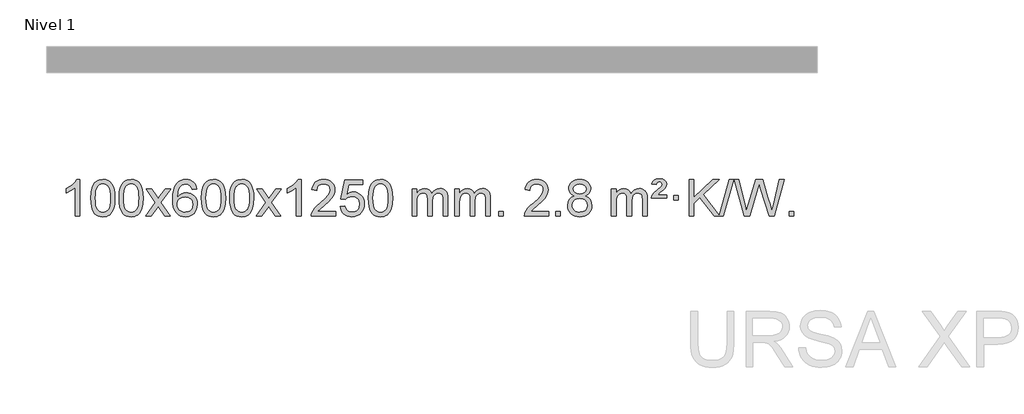
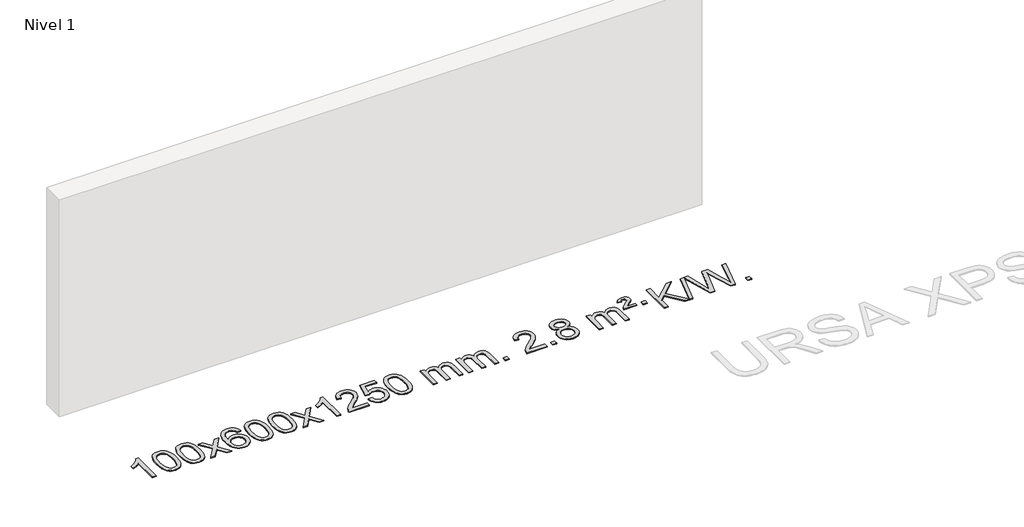
# One storey, part 2 of 4: 1 proxy.
"""IFC4 building model written with IfcOpenShell, lengths in millimetres."""

from ifc_helpers import new_model, si_unit, origin, origin_with_axes, place, context, project, spatial, polyline, outline, extrude, element, save

model = new_model("IFC4")

# Units and contexts
model_context = context("Model", 3, world=origin())
ifc_project = project(units=[si_unit("LENGTHUNIT", "METRE", prefix="MILLI")], contexts=[model_context])

# Site, building, storey
site = spatial("IfcSite", under=ifc_project)
building = spatial("IfcBuilding", under=site)
storey = spatial("IfcBuildingStorey", under=building, Name="Nivel 1", Elevation=0.0)

# Proxy
placement = place(None, origin())
element("IfcBuildingElementProxy", 1, Name="Texto de modelo 1", ObjectType="Texto de modelo 1", at=placement, inside=storey, context=model_context, shape_type="SweptSolid", body=[
    extrude(outline(polyline([(-25791.6185243, -12784.6168569), (-25841.8466794, -12784.6168569), (-25841.8466794, -12471.4757026), (-25862.8159531, -12488.4350626), (-25889.4260841, -12505.3698971), (-25942.3029895, -12530.7292293), (-25942.3029895, -12483.2479264), (-25902.8537769, -12461.7881434), (-25868.6775396, -12436.2571329), (-25841.7363148, -12409.1074417), (-25823.9921399, -12382.7916163), (-25791.6185243, -12382.7916163), (-25791.6185243, -12784.6168569)])), origin_with_axes(), (0.0, 0.0, 1.0), 10.0),
    extrude(outline(polyline([(-25672.326656, -12586.9415981), (-25668.6355733, -12522.6235626), (-25657.5623253, -12471.3285498), (-25639.2172764, -12432.2717446), (-25627.3592135, -12417.0383643), (-25613.7107915, -12404.6683323), (-25598.2260251, -12395.097269), (-25580.8589293, -12388.2607953), (-25540.4777489, -12382.7916163), (-25509.5266104, -12386.0289778), (-25481.8128334, -12395.7410625), (-25458.6362678, -12411.5477256), (-25441.296763, -12433.0688223), (-25428.200164, -12460.1204117), (-25417.7523154, -12492.5185527), (-25410.9097102, -12533.6600225), (-25408.6288419, -12586.9415981), (-25412.2831364, -12650.8917516), (-25423.2460198, -12702.0641372), (-25441.480704, -12741.1577305), (-25453.3111759, -12756.437096), (-25466.9504008, -12768.8715075), (-25482.4535613, -12778.5069501), (-25499.8758394, -12785.3894091), (-25540.4777489, -12790.8953763), (-25568.142475, -12788.5041433), (-25592.6679413, -12781.3304444), (-25614.054148, -12769.3742795), (-25632.3010949, -12752.6356488), (-25649.8122779, -12722.3773547), (-25662.3202657, -12684.6755815), (-25669.8250584, -12639.5303293), (-25672.326656, -12586.9415981)]), holes=[polyline([(-25622.0985009, -12586.8434963), (-25620.626973, -12630.5080234), (-25616.212389, -12665.8522861), (-25608.8547491, -12692.8762843), (-25598.5540532, -12711.5800181), (-25586.0951163, -12724.3056694), (-25572.2627533, -12733.3954204), (-25557.0569642, -12738.849271), (-25540.4777489, -12740.6672212), (-25523.8985337, -12738.8431396), (-25508.6927446, -12733.3708949), (-25494.8603815, -12724.2504871), (-25482.4014446, -12711.4819162), (-25472.1007488, -12692.7475256), (-25464.7431089, -12665.7296588), (-25460.3285249, -12630.4283156), (-25458.8569969, -12586.8434963), (-25460.279474, -12544.3347317), (-25464.5469051, -12509.6128027), (-25471.6592904, -12482.6777093), (-25481.6166297, -12463.5294515), (-25493.8671002, -12450.1814664), (-25507.8588787, -12440.6471914), (-25523.5919654, -12434.9266264), (-25541.0663601, -12433.0197713), (-25557.5597363, -12434.6997658), (-25572.508008, -12439.7397491), (-25585.9111753, -12448.1397213), (-25597.7692383, -12459.8996825), (-25608.4132907, -12480.7463289), (-25616.0161853, -12508.8525133), (-25620.577922, -12544.2182358), (-25622.0985009, -12586.8434963)])]), origin_with_axes(), (0.0, 0.0, 1.0), 10.0),
    extrude(outline(polyline([(-25364.6792062, -12586.9415981), (-25360.9881235, -12522.6235626), (-25349.9148754, -12471.3285498), (-25331.5698266, -12432.2717446), (-25319.7117636, -12417.0383643), (-25306.0633416, -12404.6683323), (-25290.5785753, -12395.097269), (-25273.2114794, -12388.2607953), (-25232.8302991, -12382.7916163), (-25201.8791606, -12386.0289778), (-25174.1653836, -12395.7410625), (-25150.9888179, -12411.5477256), (-25133.6493132, -12433.0688223), (-25120.5527142, -12460.1204117), (-25110.1048655, -12492.5185527), (-25103.2622604, -12533.6600225), (-25100.981392, -12586.9415981), (-25104.6356865, -12650.8917516), (-25115.59857, -12702.0641372), (-25133.8332542, -12741.1577305), (-25145.663726, -12756.437096), (-25159.302951, -12768.8715075), (-25174.8061114, -12778.5069501), (-25192.2283896, -12785.3894091), (-25232.8302991, -12790.8953763), (-25260.4950251, -12788.5041433), (-25285.0204915, -12781.3304444), (-25306.4066981, -12769.3742795), (-25324.6536451, -12752.6356488), (-25342.1648281, -12722.3773547), (-25354.6728159, -12684.6755815), (-25362.1776086, -12639.5303293), (-25364.6792062, -12586.9415981)]), holes=[polyline([(-25314.4510511, -12586.8434963), (-25312.9795231, -12630.5080234), (-25308.5649392, -12665.8522861), (-25301.2072993, -12692.8762843), (-25290.9066034, -12711.5800181), (-25278.4476665, -12724.3056694), (-25264.6153035, -12733.3954204), (-25249.4095144, -12738.849271), (-25232.8302991, -12740.6672212), (-25216.2510839, -12738.8431396), (-25201.0452947, -12733.3708949), (-25187.2129317, -12724.2504871), (-25174.7539948, -12711.4819162), (-25164.4532989, -12692.7475256), (-25157.095659, -12665.7296588), (-25152.6810751, -12630.4283156), (-25151.2095471, -12586.8434963), (-25152.6320242, -12544.3347317), (-25156.8994553, -12509.6128027), (-25164.0118405, -12482.6777093), (-25173.9691799, -12463.5294515), (-25186.2196503, -12450.1814664), (-25200.2114289, -12440.6471914), (-25215.9445155, -12434.9266264), (-25233.4189103, -12433.0197713), (-25249.9122864, -12434.6997658), (-25264.8605582, -12439.7397491), (-25278.2637255, -12448.1397213), (-25290.1217885, -12459.8996825), (-25300.7658409, -12480.7463289), (-25308.3687355, -12508.8525133), (-25312.9304722, -12544.2182358), (-25314.4510511, -12586.8434963)])]), origin_with_axes(), (0.0, 0.0, 1.0), 10.0),
    extrude(outline(polyline([(-25075.8673145, -12784.6168569), (-24968.5438738, -12636.2868364), (-25069.5887951, -12489.5264458), (-25009.158046, -12489.5264458), (-24960.4014189, -12560.1597889), (-24937.6417862, -12593.5144231), (-24917.9233112, -12566.2421045), (-24862.3976554, -12489.5264458), (-24801.9669064, -12489.5264458), (-24908.1131247, -12636.2868364), (-24805.890981, -12784.6168569), (-24866.32173, -12784.6168569), (-24927.8315996, -12695.4422612), (-24939.1133142, -12679.1573516), (-25015.4365654, -12784.6168569), (-25075.8673145, -12784.6168569)])), origin_with_axes(), (0.0, 0.0, 1.0), 10.0),
    extrude(outline(polyline([(-24517.0790893, -12489.5264458), (-24567.3072444, -12495.8049652), (-24575.4006483, -12470.9116168), (-24586.3390063, -12453.9154687), (-24609.1231645, -12438.2436957), (-24636.6652632, -12433.0197713), (-24660.0135072, -12436.0609292), (-24681.988325, -12445.1844027), (-24700.8606714, -12464.4001055), (-24716.2749269, -12490.850821), (-24726.6859874, -12528.2644199), (-24730.5487484, -12580.3687731), (-24710.4010778, -12556.8611137), (-24686.2557561, -12540.2941611), (-24659.4616842, -12530.4717119), (-24631.3677625, -12527.1975621), (-24607.2347036, -12529.4355109), (-24584.9655801, -12536.1493573), (-24564.5603921, -12547.3391013), (-24546.0191396, -12563.004743), (-24530.6110154, -12582.2143145), (-24519.6052123, -12604.0358482), (-24513.0017305, -12628.469344), (-24510.8005699, -12655.514802), (-24514.9453737, -12691.4813984), (-24527.3797852, -12724.8237699), (-24547.0737346, -12753.1016326), (-24572.9971526, -12773.8747026), (-24603.9728166, -12786.6402078), (-24638.8235042, -12790.8953763), (-24668.766033, -12788.0749476), (-24695.8084253, -12779.6136617), (-24719.9506812, -12765.5115186), (-24741.1928008, -12745.7685182), (-24758.5108457, -12719.5507947), (-24770.8808778, -12686.0244822), (-24778.302897, -12645.1895807), (-24780.7769034, -12597.0460903), (-24778.0300512, -12543.0716702), (-24769.7894945, -12497.006713), (-24756.0552334, -12458.8512188), (-24736.8272677, -12428.6051874), (-24715.9867527, -12408.56175), (-24691.823037, -12394.2450091), (-24664.3361206, -12385.6549645), (-24633.5260035, -12382.7916163), (-24610.3923574, -12384.5635812), (-24589.4537405, -12389.879476), (-24570.7101528, -12398.7393008), (-24554.1615944, -12411.1430554), (-24540.255655, -12426.6738069), (-24529.4399243, -12444.9146225), (-24521.7144024, -12465.8655021), (-24517.0790893, -12489.5264458)]), holes=[polyline([(-24730.5487484, -12654.7299871), (-24727.6424806, -12676.9868478), (-24718.9236773, -12698.2381644), (-24705.3856199, -12716.5096368), (-24688.0215897, -12729.8269651), (-24667.0645787, -12737.9571571), (-24642.7475788, -12740.6672212), (-24609.6014111, -12735.0508894), (-24595.6862746, -12728.0304746), (-24583.5431031, -12718.201894), (-24573.6930627, -12705.9636863), (-24566.6573195, -12691.7143904), (-24561.028725, -12657.1825337), (-24566.5837431, -12624.036366), (-24573.5275158, -12610.4155351), (-24583.2487975, -12598.7628729), (-24595.4287572, -12589.4278673), (-24609.7485639, -12582.7600061), (-24644.807718, -12577.4257172), (-24677.9048349, -12582.7600061), (-24705.5818236, -12598.7628729), (-24716.5048532, -12610.2622509), (-24724.3070172, -12623.4232293), (-24728.9883156, -12638.245808), (-24730.5487484, -12654.7299871)])]), origin_with_axes(), (0.0, 0.0, 1.0), 10.0),
    extrude(outline(polyline([(-24466.8509342, -12586.9415981), (-24463.1598515, -12522.6235626), (-24452.0866035, -12471.3285498), (-24433.7415547, -12432.2717446), (-24421.8834917, -12417.0383643), (-24408.2350697, -12404.6683323), (-24392.7503033, -12395.097269), (-24375.3832075, -12388.2607953), (-24335.0020271, -12382.7916163), (-24304.0508886, -12386.0289778), (-24276.3371117, -12395.7410625), (-24253.160546, -12411.5477256), (-24235.8210412, -12433.0688223), (-24222.7244422, -12460.1204117), (-24212.2765936, -12492.5185527), (-24205.4339884, -12533.6600225), (-24203.1531201, -12586.9415981), (-24206.8074146, -12650.8917516), (-24217.770298, -12702.0641372), (-24236.0049822, -12741.1577305), (-24247.8354541, -12756.437096), (-24261.474679, -12768.8715075), (-24276.9778395, -12778.5069501), (-24294.4001176, -12785.3894091), (-24335.0020271, -12790.8953763), (-24362.6667532, -12788.5041433), (-24387.1922195, -12781.3304444), (-24408.5784262, -12769.3742795), (-24426.8253731, -12752.6356488), (-24444.3365561, -12722.3773547), (-24456.844544, -12684.6755815), (-24464.3493367, -12639.5303293), (-24466.8509342, -12586.9415981)]), holes=[polyline([(-24416.6227791, -12586.8434963), (-24415.1512512, -12630.5080234), (-24410.7366672, -12665.8522861), (-24403.3790273, -12692.8762843), (-24393.0783315, -12711.5800181), (-24380.6193946, -12724.3056694), (-24366.7870315, -12733.3954204), (-24351.5812424, -12738.849271), (-24335.0020271, -12740.6672212), (-24318.4228119, -12738.8431396), (-24303.2170228, -12733.3708949), (-24289.3846597, -12724.2504871), (-24276.9257228, -12711.4819162), (-24266.625027, -12692.7475256), (-24259.2673871, -12665.7296588), (-24254.8528031, -12630.4283156), (-24253.3812752, -12586.8434963), (-24254.8037522, -12544.3347317), (-24259.0711833, -12509.6128027), (-24266.1835686, -12482.6777093), (-24276.1409079, -12463.5294515), (-24288.3913784, -12450.1814664), (-24302.3831569, -12440.6471914), (-24318.1162436, -12434.9266264), (-24335.5906383, -12433.0197713), (-24352.0840145, -12434.6997658), (-24367.0322862, -12439.7397491), (-24380.4354536, -12448.1397213), (-24392.2935165, -12459.8996825), (-24402.9375689, -12480.7463289), (-24410.5404635, -12508.8525133), (-24415.1022002, -12544.2182358), (-24416.6227791, -12586.8434963)])]), origin_with_axes(), (0.0, 0.0, 1.0), 10.0),
    extrude(outline(polyline([(-24159.2034844, -12586.9415981), (-24155.5124017, -12522.6235626), (-24144.4391536, -12471.3285498), (-24126.0941048, -12432.2717446), (-24114.2360418, -12417.0383643), (-24100.5876198, -12404.6683323), (-24085.1028535, -12395.097269), (-24067.7357577, -12388.2607953), (-24027.3545773, -12382.7916163), (-23996.4034388, -12386.0289778), (-23968.6896618, -12395.7410625), (-23945.5130961, -12411.5477256), (-23928.1735914, -12433.0688223), (-23915.0769924, -12460.1204117), (-23904.6291437, -12492.5185527), (-23897.7865386, -12533.6600225), (-23895.5056702, -12586.9415981), (-23899.1599647, -12650.8917516), (-23910.1228482, -12702.0641372), (-23928.3575324, -12741.1577305), (-23940.1880042, -12756.437096), (-23953.8272292, -12768.8715075), (-23969.3303896, -12778.5069501), (-23986.7526678, -12785.3894091), (-24027.3545773, -12790.8953763), (-24055.0193034, -12788.5041433), (-24079.5447697, -12781.3304444), (-24100.9309764, -12769.3742795), (-24119.1779233, -12752.6356488), (-24136.6891063, -12722.3773547), (-24149.1970941, -12684.6755815), (-24156.7018868, -12639.5303293), (-24159.2034844, -12586.9415981)]), holes=[polyline([(-24108.9753293, -12586.8434963), (-24107.5038013, -12630.5080234), (-24103.0892174, -12665.8522861), (-24095.7315775, -12692.8762843), (-24085.4308816, -12711.5800181), (-24072.9719447, -12724.3056694), (-24059.1395817, -12733.3954204), (-24043.9337926, -12738.849271), (-24027.3545773, -12740.6672212), (-24010.7753621, -12738.8431396), (-23995.5695729, -12733.3708949), (-23981.7372099, -12724.2504871), (-23969.278273, -12711.4819162), (-23958.9775771, -12692.7475256), (-23951.6199372, -12665.7296588), (-23947.2053533, -12630.4283156), (-23945.7338253, -12586.8434963), (-23947.1563024, -12544.3347317), (-23951.4237335, -12509.6128027), (-23958.5361188, -12482.6777093), (-23968.4934581, -12463.5294515), (-23980.7439285, -12450.1814664), (-23994.7357071, -12440.6471914), (-24010.4687937, -12434.9266264), (-24027.9431885, -12433.0197713), (-24044.4365646, -12434.6997658), (-24059.3848364, -12439.7397491), (-24072.7880037, -12448.1397213), (-24084.6460667, -12459.8996825), (-24095.2901191, -12480.7463289), (-24102.8930137, -12508.8525133), (-24107.4547504, -12544.2182358), (-24108.9753293, -12586.8434963)])]), origin_with_axes(), (0.0, 0.0, 1.0), 10.0),
    extrude(outline(polyline([(-23870.3915927, -12784.6168569), (-23763.068152, -12636.2868364), (-23864.1130733, -12489.5264458), (-23803.6823242, -12489.5264458), (-23754.9256972, -12560.1597889), (-23732.1660644, -12593.5144231), (-23712.4475894, -12566.2421045), (-23656.9219336, -12489.5264458), (-23596.4911846, -12489.5264458), (-23702.6374029, -12636.2868364), (-23600.4152592, -12784.6168569), (-23660.8460083, -12784.6168569), (-23722.3558778, -12695.4422612), (-23733.6375924, -12679.1573516), (-23809.9608436, -12784.6168569), (-23870.3915927, -12784.6168569)])), origin_with_axes(), (0.0, 0.0, 1.0), 10.0),
    extrude(outline(polyline([(-23380.6670807, -12784.6168569), (-23430.8952358, -12784.6168569), (-23430.8952358, -12471.4757026), (-23451.8645095, -12488.4350626), (-23478.4746405, -12505.3698971), (-23531.351546, -12530.7292293), (-23531.351546, -12483.2479264), (-23491.9023333, -12461.7881434), (-23457.726096, -12436.2571329), (-23430.7848712, -12409.1074417), (-23413.0406963, -12382.7916163), (-23380.6670807, -12382.7916163), (-23380.6670807, -12784.6168569)])), origin_with_axes(), (0.0, 0.0, 1.0), 10.0),
    extrude(outline(polyline([(-23003.9559177, -12734.3887018), (-23003.9559177, -12784.6168569), (-23267.6537318, -12784.6168569), (-23266.5500858, -12766.9339956), (-23262.2581292, -12749.9868984), (-23249.8727687, -12722.9230463), (-23231.7484491, -12696.6685346), (-23205.5307256, -12669.1877495), (-23168.8651534, -12638.4450775), (-23114.6638727, -12590.301587), (-23082.1431044, -12554.7641863), (-23065.8827202, -12525.9222379), (-23060.4625921, -12497.8651044), (-23065.5761519, -12472.7142386), (-23080.9168311, -12451.8062786), (-23104.4980669, -12437.7163982), (-23134.3332968, -12433.0197713), (-23165.66458, -12437.6060336), (-23190.0061054, -12451.3648202), (-23205.7146666, -12473.2170107), (-23211.1470573, -12502.0834846), (-23261.3752124, -12495.8049652), (-23257.0556647, -12469.8754159), (-23249.1983184, -12447.2200164), (-23237.8031736, -12427.8387666), (-23222.8702303, -12411.7316666), (-23204.742845, -12399.0703946), (-23183.7643742, -12390.0266288), (-23159.9348179, -12384.6003694), (-23133.2541762, -12382.7916163), (-23106.3344112, -12384.8027045), (-23082.3760963, -12390.8359692), (-23061.3792314, -12400.8914104), (-23043.3438166, -12414.9690281), (-23028.8584631, -12432.02649), (-23018.5117819, -12451.0214636), (-23012.3037733, -12471.9539492), (-23010.2344371, -12494.8239465), (-23012.4662545, -12518.8466408), (-23019.1617068, -12542.4524022), (-23031.0442952, -12566.4628337), (-23048.8375211, -12591.6995386), (-23077.2012229, -12621.829074), (-23120.7952393, -12660.5179972), (-23178.577238, -12708.8331659), (-23201.2387689, -12734.3887018), (-23003.9559177, -12734.3887018)])), origin_with_axes(), (0.0, 0.0, 1.0), 10.0),
    extrude(outline(polyline([(-22953.7277626, -12677.8820273), (-22903.4996075, -12671.603508), (-22894.2780322, -12701.7575688), (-22878.1893262, -12723.3522419), (-22855.3070661, -12736.3384764), (-22825.7048283, -12740.6672212), (-22806.5749645, -12739.1619707), (-22789.7014437, -12734.6462192), (-22775.0842657, -12727.1199667), (-22762.7234307, -12716.5832132), (-22752.8948501, -12703.5571249), (-22745.8744353, -12688.5628679), (-22740.2581035, -12652.6698479), (-22745.5188161, -12618.8737553), (-22752.0947067, -12604.9555532), (-22761.3009536, -12593.0239138), (-22773.1682137, -12583.4528505), (-22787.7271436, -12576.6163768), (-22824.9200133, -12571.1471978), (-22849.2860642, -12573.3299643), (-22869.0168018, -12579.8782638), (-22884.774414, -12589.9091796), (-22897.2210881, -12602.5397947), (-22947.4492432, -12596.2612753), (-22903.4996075, -12389.0701357), (-22708.8655066, -12389.0701357), (-22708.8655066, -12439.2982907), (-22862.8854352, -12439.2982907), (-22884.3697438, -12549.9571949), (-22866.643963, -12537.2530033), (-22848.4889865, -12528.1785808), (-22829.9048144, -12522.7339272), (-22810.8914466, -12520.9190427), (-22786.4303596, -12523.1692543), (-22763.9619667, -12529.9198889), (-22743.486268, -12541.1709466), (-22725.0032635, -12556.9224273), (-22709.7024381, -12576.2117066), (-22698.7732772, -12598.0761598), (-22692.2157806, -12622.5157871), (-22690.0299484, -12649.5305882), (-22691.9981171, -12675.552108), (-22697.9026231, -12699.7587433), (-22707.7434665, -12722.1504941), (-22721.5206472, -12742.7273604), (-22742.3918191, -12763.8008673), (-22766.7456072, -12778.8533723), (-22794.5820115, -12787.8848753), (-22825.901032, -12790.8953763), (-22851.8213842, -12788.9609301), (-22875.2340076, -12783.1575916), (-22896.1389019, -12773.4853608), (-22914.5360674, -12759.9442377), (-22929.8430241, -12743.2086726), (-22941.4772922, -12723.9531159), (-22949.4388717, -12702.1775674), (-22953.7277626, -12677.8820273)])), origin_with_axes(), (0.0, 0.0, 1.0), 10.0),
    extrude(outline(polyline([(-22646.0803128, -12586.9415981), (-22642.3892301, -12522.6235626), (-22631.315982, -12471.3285498), (-22612.9709332, -12432.2717446), (-22601.1128702, -12417.0383643), (-22587.4644482, -12404.6683323), (-22571.9796819, -12395.097269), (-22554.612586, -12388.2607953), (-22514.2314057, -12382.7916163), (-22483.2802672, -12386.0289778), (-22455.5664902, -12395.7410625), (-22432.3899245, -12411.5477256), (-22415.0504198, -12433.0688223), (-22401.9538208, -12460.1204117), (-22391.5059721, -12492.5185527), (-22384.663367, -12533.6600225), (-22382.3824986, -12586.9415981), (-22386.0367931, -12650.8917516), (-22396.9996766, -12702.0641372), (-22415.2343608, -12741.1577305), (-22427.0648326, -12756.437096), (-22440.7040576, -12768.8715075), (-22456.207218, -12778.5069501), (-22473.6294962, -12785.3894091), (-22514.2314057, -12790.8953763), (-22541.8961317, -12788.5041433), (-22566.4215981, -12781.3304444), (-22587.8078047, -12769.3742795), (-22606.0547517, -12752.6356488), (-22623.5659347, -12722.3773547), (-22636.0739225, -12684.6755815), (-22643.5787152, -12639.5303293), (-22646.0803128, -12586.9415981)]), holes=[polyline([(-22595.8521577, -12586.8434963), (-22594.3806297, -12630.5080234), (-22589.9660458, -12665.8522861), (-22582.6084059, -12692.8762843), (-22572.30771, -12711.5800181), (-22559.8487731, -12724.3056694), (-22546.0164101, -12733.3954204), (-22530.8106209, -12738.849271), (-22514.2314057, -12740.6672212), (-22497.6521904, -12738.8431396), (-22482.4464013, -12733.3708949), (-22468.6140383, -12724.2504871), (-22456.1551014, -12711.4819162), (-22445.8544055, -12692.7475256), (-22438.4967656, -12665.7296588), (-22434.0821817, -12630.4283156), (-22432.6106537, -12586.8434963), (-22434.0331307, -12544.3347317), (-22438.3005619, -12509.6128027), (-22445.4129471, -12482.6777093), (-22455.3702865, -12463.5294515), (-22467.6207569, -12450.1814664), (-22481.6125354, -12440.6471914), (-22497.3456221, -12434.9266264), (-22514.8200169, -12433.0197713), (-22531.313393, -12434.6997658), (-22546.2616647, -12439.7397491), (-22559.6648321, -12448.1397213), (-22571.5228951, -12459.8996825), (-22582.1669475, -12480.7463289), (-22589.769842, -12508.8525133), (-22594.3315788, -12544.2182358), (-22595.8521577, -12586.8434963)])]), origin_with_axes(), (0.0, 0.0, 1.0), 10.0),
    extrude(outline(polyline([(-22168.9128395, -12784.6168569), (-22168.9128395, -12489.5264458), (-22118.6846845, -12489.5264458), (-22118.6846845, -12538.0868692), (-22103.5769972, -12515.7809575), (-22084.1528279, -12498.3065628), (-22061.074364, -12487.0125855), (-22035.0037933, -12483.2479264), (-22007.0692871, -12487.0861619), (-21984.6775364, -12498.6008684), (-21967.9511683, -12517.0317563), (-21957.0128103, -12541.6185363), (-21938.7045497, -12516.0813945), (-21917.8211151, -12497.8405789), (-21894.3625065, -12486.8960895), (-21868.328724, -12483.2479264), (-21848.2209073, -12484.7654397), (-21830.5717686, -12489.3179793), (-21815.3813079, -12496.9055455), (-21802.6495251, -12507.5281381), (-21792.5848869, -12521.3083845), (-21785.3958596, -12538.368912), (-21781.0824432, -12558.7097207), (-21779.6446377, -12582.3308105), (-21779.6446377, -12784.6168569), (-21829.8727928, -12784.6168569), (-21829.8727928, -12603.9132208), (-21831.0377524, -12578.860457), (-21834.5326314, -12561.9746734), (-21841.0809309, -12550.410916), (-21851.4061522, -12541.3242307), (-21864.6866923, -12535.4381188), (-21880.1009479, -12533.4760815), (-21907.3119528, -12538.5038021), (-21929.4952371, -12553.5869639), (-21938.1006101, -12565.1568526), (-21944.2473051, -12579.7556365), (-21949.1646611, -12618.0398895), (-21949.1646611, -12784.6168569), (-21999.3928162, -12784.6168569), (-21999.3928162, -12598.3214145), (-22002.2990839, -12569.9209245), (-22011.0178872, -12549.6628893), (-22026.3585664, -12537.5227834), (-22049.1304619, -12533.4760815), (-22068.4810549, -12536.1738828), (-22086.3110689, -12544.2672867), (-22101.0263487, -12557.5600894), (-22111.032739, -12575.8560873), (-22116.7716981, -12601.239945), (-22118.6846845, -12635.7963271), (-22118.6846845, -12784.6168569), (-22168.9128395, -12784.6168569)])), origin_with_axes(), (0.0, 0.0, 1.0), 10.0),
    extrude(outline(polyline([(-21704.3024051, -12784.6168569), (-21704.3024051, -12489.5264458), (-21654.07425, -12489.5264458), (-21654.07425, -12538.0868692), (-21638.9665628, -12515.7809575), (-21619.5423934, -12498.3065628), (-21596.4639296, -12487.0125855), (-21570.3933589, -12483.2479264), (-21542.4588527, -12487.0861619), (-21520.0671019, -12498.6008684), (-21503.3407339, -12517.0317563), (-21492.4023759, -12541.6185363), (-21474.0941153, -12516.0813945), (-21453.2106807, -12497.8405789), (-21429.7520721, -12486.8960895), (-21403.7182896, -12483.2479264), (-21383.6104729, -12484.7654397), (-21365.9613341, -12489.3179793), (-21350.7708734, -12496.9055455), (-21338.0390907, -12507.5281381), (-21327.9744525, -12521.3083845), (-21320.7854251, -12538.368912), (-21316.4720087, -12558.7097207), (-21315.0342033, -12582.3308105), (-21315.0342033, -12784.6168569), (-21365.2623584, -12784.6168569), (-21365.2623584, -12603.9132208), (-21366.427318, -12578.860457), (-21369.922197, -12561.9746734), (-21376.4704965, -12550.410916), (-21386.7957178, -12541.3242307), (-21400.0762578, -12535.4381188), (-21415.4905134, -12533.4760815), (-21442.7015183, -12538.5038021), (-21464.8848026, -12553.5869639), (-21473.4901756, -12565.1568526), (-21479.6368707, -12579.7556365), (-21484.5542267, -12618.0398895), (-21484.5542267, -12784.6168569), (-21534.7823817, -12784.6168569), (-21534.7823817, -12598.3214145), (-21537.6886495, -12569.9209245), (-21546.4074528, -12549.6628893), (-21561.748132, -12537.5227834), (-21584.5200275, -12533.4760815), (-21603.8706204, -12536.1738828), (-21621.7006345, -12544.2672867), (-21636.4159143, -12557.5600894), (-21646.4223045, -12575.8560873), (-21652.1612637, -12601.239945), (-21654.07425, -12635.7963271), (-21654.07425, -12784.6168569), (-21704.3024051, -12784.6168569)])), origin_with_axes(), (0.0, 0.0, 1.0), 10.0),
    extrude(outline(polyline([(-21227.1349319, -12784.6168569), (-21227.1349319, -12734.3887018), (-21176.9067768, -12734.3887018), (-21176.9067768, -12784.6168569), (-21227.1349319, -12784.6168569)])), origin_with_axes(), (0.0, 0.0, 1.0), 10.0),
    extrude(outline(polyline([(-20680.9037455, -12734.3887018), (-20680.9037455, -12784.6168569), (-20944.6015596, -12784.6168569), (-20943.4979136, -12766.9339956), (-20939.205957, -12749.9868984), (-20926.8205965, -12722.9230463), (-20908.6962769, -12696.6685346), (-20882.4785533, -12669.1877495), (-20845.8129812, -12638.4450775), (-20791.6117005, -12590.301587), (-20759.0909322, -12554.7641863), (-20742.830548, -12525.9222379), (-20737.4104199, -12497.8651044), (-20742.5239796, -12472.7142386), (-20757.8646588, -12451.8062786), (-20781.4458947, -12437.7163982), (-20811.2811245, -12433.0197713), (-20842.6124078, -12437.6060336), (-20866.9539332, -12451.3648202), (-20882.6624943, -12473.2170107), (-20888.0948851, -12502.0834846), (-20938.3230402, -12495.8049652), (-20934.0034925, -12469.8754159), (-20926.1461462, -12447.2200164), (-20914.7510014, -12427.8387666), (-20899.8180581, -12411.7316666), (-20881.6906727, -12399.0703946), (-20860.712202, -12390.0266288), (-20836.8826457, -12384.6003694), (-20810.202004, -12382.7916163), (-20783.282239, -12384.8027045), (-20759.3239241, -12390.8359692), (-20738.3270592, -12400.8914104), (-20720.2916444, -12414.9690281), (-20705.8062908, -12432.02649), (-20695.4596097, -12451.0214636), (-20689.2516011, -12471.9539492), (-20687.1822648, -12494.8239465), (-20689.4140823, -12518.8466408), (-20696.1095346, -12542.4524022), (-20707.992123, -12566.4628337), (-20725.7853489, -12591.6995386), (-20754.1490507, -12621.829074), (-20797.7430671, -12660.5179972), (-20855.5250658, -12708.8331659), (-20878.1865967, -12734.3887018), (-20680.9037455, -12734.3887018)])), origin_with_axes(), (0.0, 0.0, 1.0), 10.0),
    extrude(outline(polyline([(-20605.5615128, -12784.6168569), (-20605.5615128, -12734.3887018), (-20555.3333578, -12734.3887018), (-20555.3333578, -12784.6168569), (-20605.5615128, -12784.6168569)])), origin_with_axes(), (0.0, 0.0, 1.0), 10.0),
    extrude(outline(polyline([(-20400.5286142, -12563.2990486), (-20427.420788, -12550.0552967), (-20446.2931344, -12532.1026554), (-20457.4399589, -12509.8090065), (-20461.155567, -12483.542232), (-20459.132216, -12463.0573363), (-20453.0621631, -12444.2769604), (-20442.9454082, -12427.2011045), (-20428.7819514, -12411.8297684), (-20411.2523744, -12399.1255769), (-20391.0372587, -12390.0511543), (-20368.1366045, -12384.6065008), (-20342.5504118, -12382.7916163), (-20316.8415917, -12384.6494203), (-20293.7692592, -12390.2228326), (-20273.3334144, -12399.511853), (-20255.5340572, -12412.5164815), (-20241.113083, -12428.1882545), (-20230.8123871, -12445.4787082), (-20224.6319696, -12464.3878428), (-20222.5718304, -12484.9156581), (-20226.2383876, -12510.336304), (-20237.2380593, -12532.2498082), (-20255.6934727, -12550.0920849), (-20281.7272552, -12563.2990486), (-20250.8129049, -12579.228339), (-20228.3107895, -12602.6869475), (-20214.5887911, -12632.5467028), (-20210.0147916, -12667.6794333), (-20212.2833973, -12692.7321972), (-20219.0892142, -12715.7002964), (-20230.4322424, -12736.583731), (-20246.3124818, -12755.382501), (-20265.8960667, -12770.9193839), (-20288.3491311, -12782.0171574), (-20313.6716751, -12788.6758215), (-20341.8636987, -12790.8953763), (-20370.0557223, -12788.6666245), (-20395.3782663, -12781.9803692), (-20417.8313307, -12770.8366105), (-20437.4149156, -12755.2353482), (-20453.295155, -12736.3047539), (-20464.6381832, -12715.1729989), (-20471.4440001, -12691.8400834), (-20473.7126058, -12666.3060072), (-20468.9546653, -12629.8121133), (-20454.6808439, -12599.7929425), (-20431.6269055, -12577.2785644), (-20400.5286142, -12563.2990486)]), holes=[polyline([(-20410.9274119, -12485.01376), (-20406.4760398, -12506.9395269), (-20393.1219234, -12524.4507099), (-20371.2574701, -12535.9286281), (-20341.2750875, -12539.7546009), (-20311.9916807, -12535.9531536), (-20290.4583212, -12524.5488117), (-20277.2145694, -12507.62624), (-20272.7999855, -12487.2701029), (-20277.3617222, -12466.1414136), (-20291.0469324, -12448.6670189), (-20312.8745975, -12436.9315832), (-20341.8636987, -12433.0197713), (-20371.0367409, -12436.8457441), (-20392.8276178, -12448.3236623), (-20406.4024634, -12465.1481323), (-20410.9274119, -12485.01376)]), polyline([(-20423.4844507, -12664.5401736), (-20421.3875233, -12683.7558765), (-20415.0967412, -12702.3584427), (-20403.4839329, -12718.5820387), (-20385.4209269, -12730.6608309), (-20363.7894656, -12738.1656236), (-20341.4712912, -12740.6672212), (-20307.2827912, -12735.4065086), (-20293.3891145, -12728.830618), (-20281.6291534, -12719.6243711), (-20265.5894984, -12695.7243041), (-20260.2429467, -12666.1098035), (-20265.7611766, -12635.9925308), (-20282.3158664, -12611.5651663), (-20294.3946586, -12602.1228618), (-20308.5581154, -12595.3783586), (-20343.139023, -12589.982756), (-20376.8492764, -12595.3047822), (-20390.5866033, -12601.9573149), (-20402.2453968, -12611.2708607), (-20418.1746872, -12635.2322414), (-20423.4844507, -12664.5401736)])]), origin_with_axes(), (0.0, 0.0, 1.0), 10.0),
    extrude(outline(polyline([(-19996.5451326, -12784.6168569), (-19996.5451326, -12489.5264458), (-19946.3169775, -12489.5264458), (-19946.3169775, -12538.0868692), (-19931.2092902, -12515.7809575), (-19911.7851209, -12498.3065628), (-19888.706657, -12487.0125855), (-19862.6360863, -12483.2479264), (-19834.7015802, -12487.0861619), (-19812.3098294, -12498.6008684), (-19795.5834613, -12517.0317563), (-19784.6451033, -12541.6185363), (-19766.3368427, -12516.0813945), (-19745.4534081, -12497.8405789), (-19721.9947996, -12486.8960895), (-19695.961017, -12483.2479264), (-19675.8532003, -12484.7654397), (-19658.2040616, -12489.3179793), (-19643.0136009, -12496.9055455), (-19630.2818182, -12507.5281381), (-19620.2171799, -12521.3083845), (-19613.0281526, -12538.368912), (-19608.7147362, -12558.7097207), (-19607.2769307, -12582.3308105), (-19607.2769307, -12784.6168569), (-19657.5050858, -12784.6168569), (-19657.5050858, -12603.9132208), (-19658.6700455, -12578.860457), (-19662.1649244, -12561.9746734), (-19668.7132239, -12550.410916), (-19679.0384453, -12541.3242307), (-19692.3189853, -12535.4381188), (-19707.7332409, -12533.4760815), (-19734.9442458, -12538.5038021), (-19757.1275301, -12553.5869639), (-19765.7329031, -12565.1568526), (-19771.8795981, -12579.7556365), (-19776.7969541, -12618.0398895), (-19776.7969541, -12784.6168569), (-19827.0251092, -12784.6168569), (-19827.0251092, -12598.3214145), (-19829.9313769, -12569.9209245), (-19838.6501802, -12549.6628893), (-19853.9908594, -12537.5227834), (-19876.7627549, -12533.4760815), (-19896.1133479, -12536.1738828), (-19913.9433619, -12544.2672867), (-19928.6586417, -12557.5600894), (-19938.665032, -12575.8560873), (-19944.4039911, -12601.239945), (-19946.3169775, -12635.7963271), (-19946.3169775, -12784.6168569), (-19996.5451326, -12784.6168569)])), origin_with_axes(), (0.0, 0.0, 1.0), 10.0),
    extrude(outline(polyline([(-19563.327295, -12583.7042366), (-19559.5013223, -12567.8853108), (-19551.1626637, -12552.0173341), (-19529.6538298, -12526.878731), (-19497.6971471, -12499.1404286), (-19453.5513077, -12461.7636179), (-19446.414397, -12450.2366487), (-19444.0354267, -12438.4153739), (-19445.9238876, -12426.324319), (-19451.5892704, -12416.538658), (-19460.9579985, -12410.0639348), (-19473.9564957, -12407.9056938), (-19486.3909071, -12409.5243746), (-19495.2446005, -12414.3804169), (-19501.6702727, -12423.8472469), (-19506.8206206, -12439.2982907), (-19557.0487757, -12433.0197713), (-19546.2085195, -12407.8075919), (-19529.5802534, -12390.247358), (-19505.8150765, -12379.9466622), (-19473.5640882, -12376.5130969), (-19437.7814328, -12380.645638), (-19413.0352373, -12393.0432612), (-19398.6142631, -12411.3760473), (-19393.8072717, -12433.3140769), (-19397.9030245, -12456.2208625), (-19410.1902832, -12477.8523238), (-19430.7180985, -12497.6689006), (-19467.187467, -12525.7260341), (-19492.7920538, -12552.3116396), (-19393.8072717, -12552.3116396), (-19393.8072717, -12583.7042366), (-19563.327295, -12583.7042366)])), origin_with_axes(), (0.0, 0.0, 1.0), 10.0),
    extrude(outline(polyline([(-19318.4650391, -12608.8183141), (-19318.4650391, -12558.590159), (-19268.236884, -12558.590159), (-19268.236884, -12608.8183141), (-19318.4650391, -12608.8183141)])), origin_with_axes(), (0.0, 0.0, 1.0), 10.0),
    extrude(outline(polyline([(-18877.595256, -12784.6168569), (-19031.0265735, -12581.938403), (-19098.7168606, -12646.4894304), (-19098.7168606, -12784.6168569), (-19148.9450157, -12784.6168569), (-19148.9450157, -12382.7916163), (-19098.7168606, -12382.7916163), (-19098.7168606, -12579.4858564), (-18892.7029433, -12382.7916163), (-18822.4620077, -12382.7916163), (-18995.4155964, -12547.9951576), (-18820.7619865, -12778.5723371), (-18709.4486588, -12382.7916163), (-18664.125597, -12382.7916163), (-18777.1389459, -12784.6168569), (-18816.1834883, -12784.6168569), (-18822.4620077, -12784.6168569), (-18877.595256, -12784.6168569)])), origin_with_axes(), (0.0, 0.0, 1.0), 10.0),
    extrude(outline(polyline([(-18549.6407201, -12784.6168569), (-18659.2205037, -12382.7916163), (-18607.4227188, -12382.7916163), (-18543.85271, -12646.8818379), (-18524.2323369, -12728.404488), (-18503.2385377, -12656.299617), (-18423.5798231, -12382.7916163), (-18348.9243035, -12382.7916163), (-18291.0442029, -12581.0554862), (-18266.2489564, -12654.6318852), (-18247.977484, -12728.404488), (-18228.9457221, -12649.2362826), (-18164.7871022, -12382.7916163), (-18112.9893173, -12382.7916163), (-18222.6672028, -12784.6168569), (-18276.3289231, -12784.6168569), (-18372.6649549, -12474.6149623), (-18386.1049105, -12431.3520396), (-18401.2125977, -12483.4441302), (-18489.0137673, -12784.6168569), (-18549.6407201, -12784.6168569)])), origin_with_axes(), (0.0, 0.0, 1.0), 10.0),
    extrude(outline(polyline([(-18056.4826428, -12784.6168569), (-18056.4826428, -12734.3887018), (-18006.2544877, -12734.3887018), (-18006.2544877, -12784.6168569), (-18056.4826428, -12784.6168569)])), origin_with_axes(), (0.0, 0.0, 1.0), 10.0),
])

save(model, "model.ifc")
